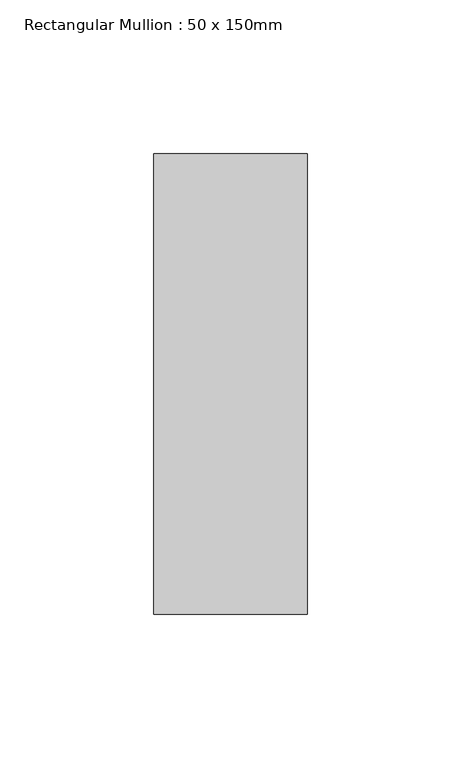
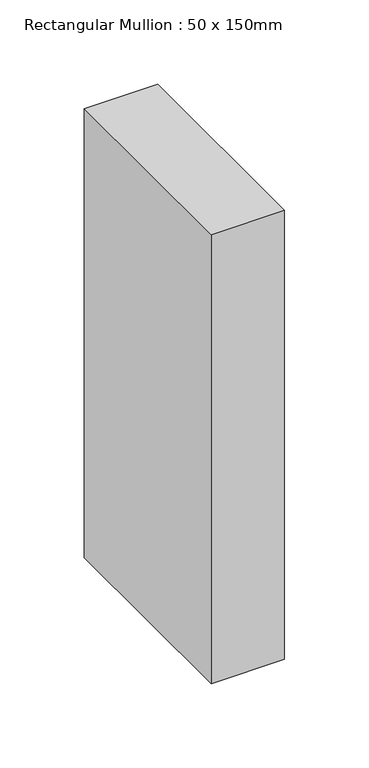
"""IFC4 building model written with IfcOpenShell, lengths in millimetres: member geometry, Rectangular Mullion : 50 x 150mm."""

import ifcopenshell
import ifcopenshell.guid

model = None  # the IFC model being written
_history = None  # IfcOwnerHistory: only IFC2X3 demands one
_inside = {}  # id of a spatial element -> (the spatial element, [elements in it])
_under = {}  # id of a project, library or spatial element -> (it, [spatial elements below it])
_declared = {}  # id of a project -> (the project, [libraries it declares])
_typed = {}  # id of a type object -> (the type object, [elements of that type])
_made_of = {}  # id of a material, layer set ... -> (it, [elements and type objects made of it])


def new_model(schema):
    """Start an empty IFC model of exactly this schema.

    Asked for "IFC4X3", IfcOpenShell would pick the latest addendum, in which some entities
    have other attributes; the version numbers below select the first issue.
    IFC2X3 requires an IfcOwnerHistory on every rooted entity: one is made here for all.
    """
    global model, _history
    if schema == "IFC4X3":
        model = ifcopenshell.file(schema_version=(4, 3, 0, 0))
    else:
        model = ifcopenshell.file(schema=schema)
    _inside.clear()
    _under.clear()
    _declared.clear()
    _typed.clear()
    _made_of.clear()
    _history = None
    if model.schema == "IFC2X3":
        org = make("IfcOrganization", Name="unknown")
        user = make(
            "IfcPersonAndOrganization",
            ThePerson=make("IfcPerson", FamilyName="unknown"),
            TheOrganization=org,
        )
        app = make(
            "IfcApplication",
            ApplicationDeveloper=org,
            Version="unknown",
            ApplicationFullName="unknown",
            ApplicationIdentifier="unknown",
        )
        _history = make(
            "IfcOwnerHistory",
            OwningUser=user,
            OwningApplication=app,
            ChangeAction="ADDED",
            CreationDate=0,
        )
    return model


def make(cls, **values):
    """One entity of the class cls with the attributes given. An attribute that is None is left unset."""
    return model.create_entity(
        cls, **{name: value for name, value in values.items() if value is not None}
    )


def rooted(cls, **values):
    """An entity with a GlobalId (a new one), such as an element, a storey or a relation."""
    return make(cls, GlobalId=ifcopenshell.guid.new(), OwnerHistory=_history, **values)


def si_unit(unit_type, name, prefix=None):
    """IfcSIUnit, for example si_unit("LENGTHUNIT", "METRE", prefix="MILLI")."""
    return make("IfcSIUnit", UnitType=unit_type, Prefix=prefix, Name=name)


def assignment(units):
    """IfcUnitAssignment: the units of a project."""
    return None if units is None else make("IfcUnitAssignment", Units=units)


def point(xyz):
    """IfcCartesianPoint."""
    return None if xyz is None else make("IfcCartesianPoint", Coordinates=xyz)


def direction(xyz):
    """IfcDirection."""
    return None if xyz is None else make("IfcDirection", DirectionRatios=xyz)


def frame(location, z_axis=None, x_axis=None):
    """IfcAxis2Placement3D, a coordinate frame: its origin and axes. An axis left out is left unset."""
    return make(
        "IfcAxis2Placement3D",
        Location=point(location),
        Axis=direction(z_axis),
        RefDirection=direction(x_axis),
    )


def origin():
    """The frame at (0, 0, 0) with its axes left unset."""
    return frame((0.0, 0.0, 0.0))


def place(relative_to, where):
    """IfcLocalPlacement: puts the frame where relative to a parent placement (None: the world)."""
    return make(
        "IfcLocalPlacement", PlacementRelTo=relative_to, RelativePlacement=where
    )


def context(
    kind, dimensions, precision=None, world=None, true_north=None, identifier=None
):
    """IfcGeometricRepresentationContext, for example the 3D "Model" context."""
    return make(
        "IfcGeometricRepresentationContext",
        ContextIdentifier=identifier,
        ContextType=kind,
        CoordinateSpaceDimension=dimensions,
        Precision=precision,
        WorldCoordinateSystem=world,
        TrueNorth=true_north,
    )


def project(units=None, contexts=None):
    """IfcProject with its units and contexts."""
    return rooted(
        "IfcProject",
        Name="project",
        RepresentationContexts=contexts,
        UnitsInContext=assignment(units),
    )


def spatial(cls, under=None, at=None, **own):
    """A site, building, storey or space (cls), placed at a placement, below another one or the project."""
    s = rooted(cls, ObjectPlacement=at, **own)
    if under is not None:
        _under.setdefault(under.id(), (under, []))[1].append(s)
    return s


def polyline(points):
    """IfcPolyline through the points."""
    return make("IfcPolyline", Points=[point(p) for p in points])


def outline(outer, holes=None, kind="AREA"):
    """IfcArbitraryClosedProfileDef: a profile drawn as a closed curve; with holes, ...WithVoids."""
    if holes is None:
        return make("IfcArbitraryClosedProfileDef", ProfileType=kind, OuterCurve=outer)
    return make(
        "IfcArbitraryProfileDefWithVoids",
        ProfileType=kind,
        OuterCurve=outer,
        InnerCurves=holes,
    )


def extrude(swept, where, along, depth):
    """IfcExtrudedAreaSolid: the profile swept, set in the frame where, extruded along a direction by depth."""
    return make(
        "IfcExtrudedAreaSolid",
        SweptArea=swept,
        Position=where,
        ExtrudedDirection=direction(along),
        Depth=depth,
    )


def shape(context_of_items, identifier, shape_type, items):
    """IfcShapeRepresentation: the items that make up one representation, for example the "Body"."""
    return make(
        "IfcShapeRepresentation",
        ContextOfItems=context_of_items,
        RepresentationIdentifier=identifier,
        RepresentationType=shape_type,
        Items=items,
    )


def source(mapping_origin, context_of_items, identifier, shape_type, items):
    """IfcRepresentationMap: a shape defined once, which mapped items show again and again."""
    return make(
        "IfcRepresentationMap",
        MappingOrigin=mapping_origin,
        MappedRepresentation=shape(context_of_items, identifier, shape_type, items),
    )


def transform(
    local_origin,
    x_axis=None,
    y_axis=None,
    z_axis=None,
    scale=None,
    scale2=None,
    scale3=None,
    uniform=True,
):
    """IfcCartesianTransformationOperator3D, or its non-uniform kind. x_axis, y_axis, z_axis: its Axis1, 2, 3."""
    if uniform:
        return make(
            "IfcCartesianTransformationOperator3D",
            Axis1=direction(x_axis),
            Axis2=direction(y_axis),
            LocalOrigin=point(local_origin),
            Scale=scale,
            Axis3=direction(z_axis),
        )
    return make(
        "IfcCartesianTransformationOperator3DnonUniform",
        Axis1=direction(x_axis),
        Axis2=direction(y_axis),
        LocalOrigin=point(local_origin),
        Scale=scale,
        Axis3=direction(z_axis),
        Scale2=scale2,
        Scale3=scale3,
    )


def mapped(mapping_source, mapping_target):
    """IfcMappedItem: shows the shape of a source again, moved by a transform."""
    return make(
        "IfcMappedItem", MappingSource=mapping_source, MappingTarget=mapping_target
    )


def made_of(thing, what):
    """Note that an element or type object is made of a material, layer set ...; save() writes the relation."""
    if what is not None:
        _made_of.setdefault(what.id(), (what, []))[1].append(thing)
    return thing


def element(
    cls,
    number,
    at=None,
    inside=None,
    cuts=None,
    type_object=None,
    material=None,
    context=None,
    identifier="Body",
    shape_type=None,
    held_by="IfcProductDefinitionShape",
    body=None,
    shapes=None,
    **own,
):
    """One element of the class cls, such as IfcWall. Its Tag is "e" and its number.

    at: its placement. inside: the storey or other place that contains it. cuts: it is an
    opening in that element (IfcRelVoidsElement). A single representation is given by context,
    identifier, shape_type and body (its items); several are given by shapes. held_by: the class
    of the entity that holds the representations. save() writes the other relations.
    """
    e = rooted(cls, Tag="e%d" % number, ObjectPlacement=at, **own)
    if body is not None:
        shapes = [shape(context, identifier, shape_type, body)]
    if shapes is not None:
        e.Representation = make(held_by, Representations=shapes)
    if inside is not None:
        _inside.setdefault(inside.id(), (inside, []))[1].append(e)
    if cuts is not None:
        rooted(
            "IfcRelVoidsElement", RelatingBuildingElement=cuts, RelatedOpeningElement=e
        )
    if type_object is not None:
        _typed.setdefault(type_object.id(), (type_object, []))[1].append(e)
    return made_of(e, material)


def aggregate(whole, parts):
    """IfcRelAggregates: a whole, such as a stair, and the parts it consists of."""
    return rooted("IfcRelAggregates", RelatingObject=whole, RelatedObjects=parts)


def save(model, path):
    """Write the relations noted so far, then the file.

    IfcRelAggregates (storeys below a building ...), IfcRelContainedInSpatialStructure (elements
    in a storey), IfcRelDefinesByType, IfcRelAssociatesMaterial and IfcRelDeclares: one each for
    every whole, place, type object, material and project.
    """
    for whole, parts in _under.values():
        aggregate(whole, parts)
    for where, things in _inside.values():
        rooted(
            "IfcRelContainedInSpatialStructure",
            RelatedElements=things,
            RelatingStructure=where,
        )
    for kind, things in _typed.values():
        rooted("IfcRelDefinesByType", RelatedObjects=things, RelatingType=kind)
    for what, things in _made_of.values():
        rooted("IfcRelAssociatesMaterial", RelatedObjects=things, RelatingMaterial=what)
    for by, libraries in _declared.values():
        rooted("IfcRelDeclares", RelatingContext=by, RelatedDefinitions=libraries)
    model.write(path)


def rectangular_mullion_50_x_150mm_2df57e3e(model_context):
    return source(origin(), model_context, "Body", "SweptSolid", [
        extrude(outline(polyline([(0.0, 75.0), (0.0, -75.0), (-50.0, -75.0), (-50.0, 75.0), (0.0, 75.0)])), frame((0.0, 0.0, -324.3333333), z_axis=(0.0, 0.0, 1.0), x_axis=(1.0, 0.0, 0.0)), (0.0, 0.0, 1.0), 324.3333333),
    ])


if __name__ == "__main__":
    model = new_model("IFC4")
    model_context = context("Model", 3, world=origin())
    ifc_project = project(units=[si_unit("LENGTHUNIT", "METRE", prefix="MILLI")], contexts=[model_context])
    site = spatial("IfcSite", under=ifc_project)
    building = spatial("IfcBuilding", under=site)
    placement = place(None, origin())
    rectangular_mullion_50_x_150mm_shape = rectangular_mullion_50_x_150mm_2df57e3e(model_context)
    element("IfcMember", 1, ObjectType="Rectangular Mullion : 50 x 150mm", at=placement, inside=building, context=model_context, shape_type="MappedRepresentation", body=[
        mapped(rectangular_mullion_50_x_150mm_shape, transform((0.0, 0.0, 0.0), x_axis=(1.0, 0.0, 0.0), y_axis=(0.0, 1.0, 0.0), z_axis=(0.0, 0.0, 1.0))),
    ])
    save(model, "model.ifc")
